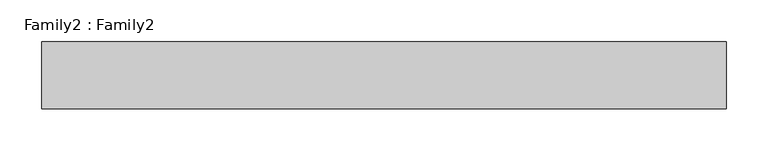
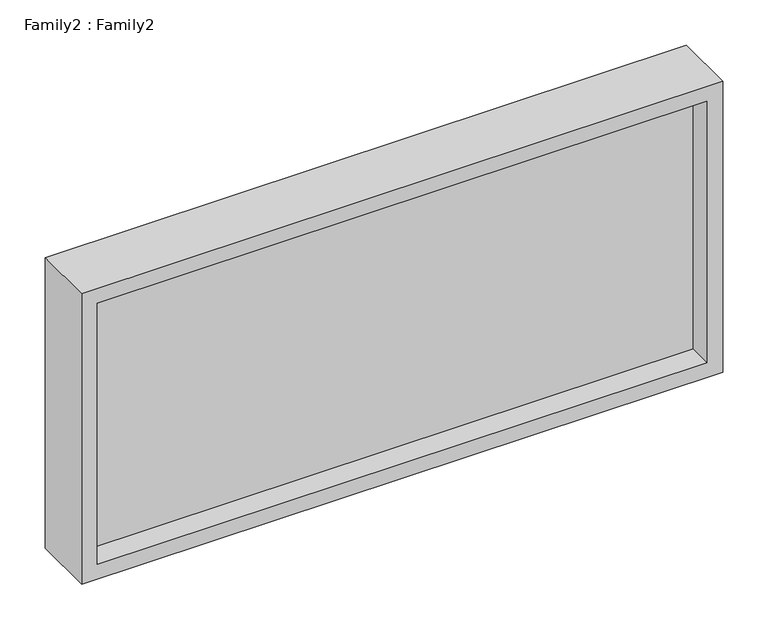
"""IFC4 building model written with IfcOpenShell, lengths in millimetres: plate geometry, Family2 : Family2."""

from ifc_helpers import new_model, si_unit, frame, origin, place, context, project, spatial, polyline, outline, extrude, source, transform, mapped, element, save


def family2_family2_99c80fb9(model_context):
    return source(origin(), model_context, "Body", "SweptSolid", [
        extrude(outline(polyline([(391.6666667, -408.3333333), (0.0, -408.3333333), (0.0, 408.3333333), (391.6666667, 408.3333333), (391.6666667, -408.3333333)]), holes=[polyline([(20.0, -388.3333333), (371.6666667, -388.3333333), (371.6666667, 388.3333333), (20.0, 388.3333333), (20.0, -388.3333333)])]), frame((0.0, -40.0, 0.0), z_axis=(0.0, 1.0, 0.0), x_axis=(0.0, 0.0, 1.0)), (0.0, 0.0, 1.0), 80.0),
        extrude(outline(polyline([(388.3333333, -10.0), (-388.3333333, -10.0), (-388.3333333, 10.0), (388.3333333, 10.0), (388.3333333, -10.0)])), frame((0.0, 0.0, 20.0), z_axis=(0.0, 0.0, 1.0), x_axis=(1.0, 0.0, 0.0)), (0.0, 0.0, 1.0), 351.6666667),
    ])


if __name__ == "__main__":
    model = new_model("IFC4")
    model_context = context("Model", 3, world=origin())
    ifc_project = project(units=[si_unit("LENGTHUNIT", "METRE", prefix="MILLI")], contexts=[model_context])
    site = spatial("IfcSite", under=ifc_project)
    building = spatial("IfcBuilding", under=site)
    placement = place(None, origin())
    family2_family2_shape = family2_family2_99c80fb9(model_context)
    element("IfcPlate", 1, ObjectType="Family2 : Family2", at=placement, inside=building, context=model_context, shape_type="MappedRepresentation", body=[
        mapped(family2_family2_shape, transform((0.0, 0.0, 0.0), x_axis=(1.0, 0.0, 0.0), y_axis=(0.0, 1.0, 0.0), z_axis=(0.0, 0.0, 1.0))),
    ])
    save(model, "model.ifc")
